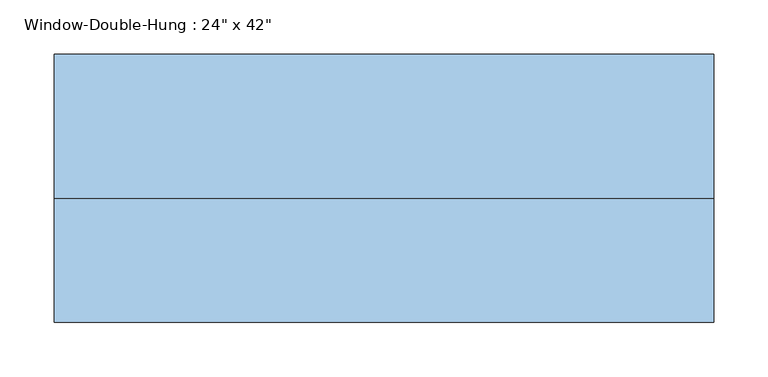
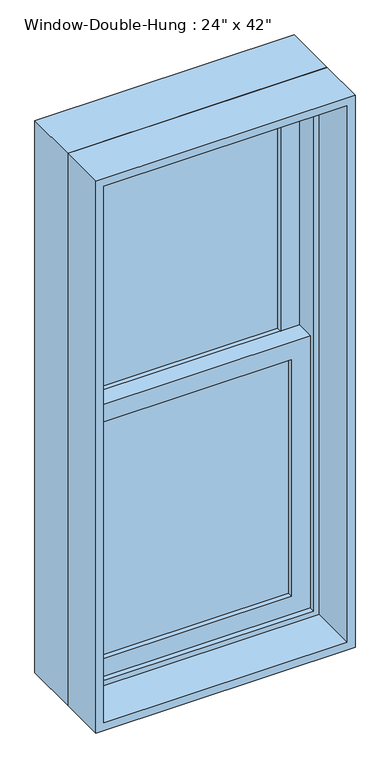
"""IFC4 building model written with IfcOpenShell, lengths in millimetres: window geometry."""

from ifc_helpers import new_model, si_unit, frame, origin, place, context, project, spatial, polyline, outline, extrude, source, transform, mapped, element, save


def window_b2bd252d(model_context):
    return source(origin(), model_context, "Body", "SweptSolid", [
        extrude(outline(polyline([(228.6, 44.45), (228.6, 38.1), (-228.6, 38.1), (-228.6, 44.45), (228.6, 44.45)])), frame((0.0, 0.0, 990.6), z_axis=(0.0, 0.0, 1.0), x_axis=(1.0, 0.0, 0.0)), (0.0, 0.0, 1.0), 587.375),
        extrude(outline(polyline([(-228.6, 31.75), (228.6, 31.75), (228.6, 25.4), (-228.6, 25.4), (-228.6, 31.75)])), frame((0.0, 0.0, 990.6), z_axis=(0.0, 0.0, 1.0), x_axis=(1.0, 0.0, 0.0)), (0.0, 0.0, 1.0), 587.375),
        extrude(outline(polyline([(228.6, 88.9), (228.6, 82.55), (-228.6, 82.55), (-228.6, 88.9), (228.6, 88.9)])), frame((0.0, 0.0, 1622.425), z_axis=(0.0, 0.0, 1.0), x_axis=(1.0, 0.0, 0.0)), (0.0, 0.0, 1.0), 587.375),
        extrude(outline(polyline([(-228.6, 76.2), (228.6, 76.2), (228.6, 69.85), (-228.6, 69.85), (-228.6, 76.2)])), frame((0.0, 0.0, 1622.425), z_axis=(0.0, 0.0, 1.0), x_axis=(1.0, 0.0, 0.0)), (0.0, 0.0, 1.0), 587.375),
        extrude(outline(polyline([(1622.425, -273.05), (946.15, -273.05), (946.15, 273.05), (1622.425, 273.05), (1622.425, -273.05)]), holes=[polyline([(1577.975, 228.6), (990.6, 228.6), (990.6, -228.6), (1577.975, -228.6), (1577.975, 228.6)])]), frame((0.0, 12.7, 0.0), z_axis=(0.0, 1.0, 0.0), x_axis=(0.0, 0.0, 1.0)), (0.0, 0.0, 1.0), 44.45),
        extrude(outline(polyline([(2254.25, -273.05), (1577.975, -273.05), (1577.975, 273.05), (2254.25, 273.05), (2254.25, -273.05)]), holes=[polyline([(2209.8, 228.6), (1622.425, 228.6), (1622.425, -228.6), (2209.8, -228.6), (2209.8, 228.6)])]), frame((0.0, 57.15, 0.0), z_axis=(0.0, 1.0, 0.0), x_axis=(0.0, 0.0, 1.0)), (0.0, 0.0, 1.0), 44.45),
        extrude(outline(polyline([(2286.0, -304.8), (914.4, -304.8), (914.4, 304.8), (2286.0, 304.8), (2286.0, -304.8)]), holes=[polyline([(2254.25, 273.05), (946.15, 273.05), (946.15, -273.05), (2254.25, -273.05), (2254.25, 273.05)])]), frame((0.0, 0.0, 0.0), z_axis=(0.0, 1.0, 0.0), x_axis=(0.0, 0.0, 1.0)), (0.0, 0.0, 1.0), 133.35),
        extrude(outline(polyline([(2286.0, 304.8), (2286.0, -304.8), (914.4, -304.8), (914.4, 304.8), (2286.0, 304.8)]), holes=[polyline([(2266.95, 285.75), (933.45, 285.75), (933.45, -285.75), (2266.95, -285.75), (2266.95, 285.75)])]), frame((0.0, -114.3, 0.0), z_axis=(0.0, 1.0, 0.0), x_axis=(0.0, 0.0, 1.0)), (0.0, 0.0, 1.0), 114.3),
    ])


if __name__ == "__main__":
    model = new_model("IFC4")
    model_context = context("Model", 3, world=origin())
    ifc_project = project(units=[si_unit("LENGTHUNIT", "METRE", prefix="MILLI")], contexts=[model_context])
    site = spatial("IfcSite", under=ifc_project)
    building = spatial("IfcBuilding", under=site)
    placement = place(None, origin())
    window_shape = window_b2bd252d(model_context)
    element("IfcWindow", 1, ObjectType="Window-Double-Hung : 24\" x 42\"", at=placement, inside=building, context=model_context, shape_type="MappedRepresentation", body=[
        mapped(window_shape, transform((0.0, 0.0, 0.0), x_axis=(1.0, 0.0, 0.0), y_axis=(0.0, 1.0, 0.0), z_axis=(0.0, 0.0, 1.0))),
    ])
    save(model, "model.ifc")
